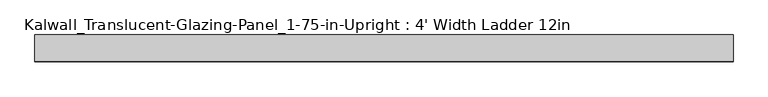
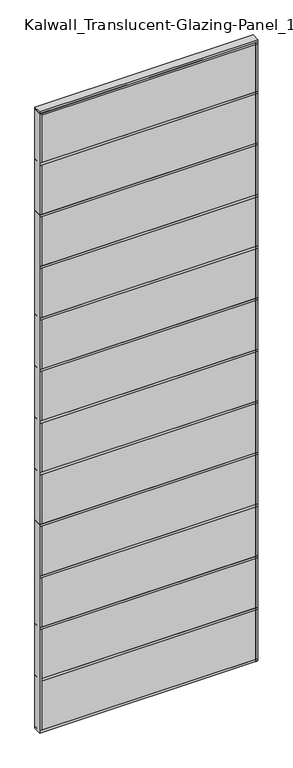
"""IFC4 building model written with IfcOpenShell, lengths in millimetres: plate geometry, Kalwall_Translucent-Glazing-Panel_1-75-in-Upright : 4' Width Ladder 12in."""

from ifc_helpers import new_model, si_unit, frame, origin, origin_with_axes, place, context, project, spatial, polyline, outline, extrude, source, transform, mapped, element, save


def kalwall_translucent_glazing_panel_1_75_in_upright_4_width_8c3a7aff(model_context):
    return source(origin(), model_context, "Body", "SweptSolid", [
        extrude(outline(polyline([(609.6, 22.225), (609.6, -22.225), (-609.6, -22.225), (-609.6, 22.225), (609.6, 22.225)])), origin_with_axes(), (0.0, 0.0, 1.0), 3659.9213441),
        extrude(outline(polyline([(609.6, 23.01875), (609.6, -23.01875), (-609.6, -23.01875), (-609.6, 23.01875), (609.6, 23.01875)])), frame((0.0, 0.0, 3657.6), z_axis=(0.0, 0.0, 1.0), x_axis=(1.0, 0.0, 0.0)), (0.0, 0.0, 1.0), 12.7),
        extrude(outline(polyline([(609.6, 23.01875), (609.6, -23.01875), (-609.6, -23.01875), (-609.6, 23.01875), (609.6, 23.01875)])), frame((0.0, 0.0, 3352.8), z_axis=(0.0, 0.0, 1.0), x_axis=(1.0, 0.0, 0.0)), (0.0, 0.0, 1.0), 12.7),
        extrude(outline(polyline([(609.6, 23.01875), (609.6, -23.01875), (-609.6, -23.01875), (-609.6, 23.01875), (609.6, 23.01875)])), frame((0.0, 0.0, 3048.0), z_axis=(0.0, 0.0, 1.0), x_axis=(1.0, 0.0, 0.0)), (0.0, 0.0, 1.0), 12.7),
        extrude(outline(polyline([(609.6, 23.01875), (609.6, -23.01875), (-609.6, -23.01875), (-609.6, 23.01875), (609.6, 23.01875)])), frame((0.0, 0.0, 2743.2), z_axis=(0.0, 0.0, 1.0), x_axis=(1.0, 0.0, 0.0)), (0.0, 0.0, 1.0), 12.7),
        extrude(outline(polyline([(609.6, 23.01875), (609.6, -23.01875), (-609.6, -23.01875), (-609.6, 23.01875), (609.6, 23.01875)])), frame((0.0, 0.0, 2438.4), z_axis=(0.0, 0.0, 1.0), x_axis=(1.0, 0.0, 0.0)), (0.0, 0.0, 1.0), 12.7),
        extrude(outline(polyline([(609.6, 23.01875), (609.6, -23.01875), (-609.6, -23.01875), (-609.6, 23.01875), (609.6, 23.01875)])), frame((0.0, 0.0, 2133.6), z_axis=(0.0, 0.0, 1.0), x_axis=(1.0, 0.0, 0.0)), (0.0, 0.0, 1.0), 12.7),
        extrude(outline(polyline([(609.6, 23.01875), (609.6, -23.01875), (-609.6, -23.01875), (-609.6, 23.01875), (609.6, 23.01875)])), frame((0.0, 0.0, 1828.8), z_axis=(0.0, 0.0, 1.0), x_axis=(1.0, 0.0, 0.0)), (0.0, 0.0, 1.0), 12.7),
        extrude(outline(polyline([(609.6, 23.01875), (609.6, -23.01875), (-609.6, -23.01875), (-609.6, 23.01875), (609.6, 23.01875)])), frame((0.0, 0.0, 1524.0), z_axis=(0.0, 0.0, 1.0), x_axis=(1.0, 0.0, 0.0)), (0.0, 0.0, 1.0), 12.7),
        extrude(outline(polyline([(609.6, 23.01875), (609.6, -23.01875), (-609.6, -23.01875), (-609.6, 23.01875), (609.6, 23.01875)])), frame((0.0, 0.0, 1219.2), z_axis=(0.0, 0.0, 1.0), x_axis=(1.0, 0.0, 0.0)), (0.0, 0.0, 1.0), 12.7),
        extrude(outline(polyline([(609.6, 23.01875), (609.6, -23.01875), (-609.6, -23.01875), (-609.6, 23.01875), (609.6, 23.01875)])), frame((0.0, 0.0, 914.4), z_axis=(0.0, 0.0, 1.0), x_axis=(1.0, 0.0, 0.0)), (0.0, 0.0, 1.0), 12.7),
        extrude(outline(polyline([(609.6, 23.01875), (609.6, -23.01875), (-609.6, -23.01875), (-609.6, 23.01875), (609.6, 23.01875)])), frame((0.0, 0.0, 609.6), z_axis=(0.0, 0.0, 1.0), x_axis=(1.0, 0.0, 0.0)), (0.0, 0.0, 1.0), 12.7),
        extrude(outline(polyline([(609.6, 23.01875), (609.6, -23.01875), (-609.6, -23.01875), (-609.6, 23.01875), (609.6, 23.01875)])), origin_with_axes(), (0.0, 0.0, 1.0), 12.7),
        extrude(outline(polyline([(-596.9, 23.01875), (-596.9, -23.01875), (-609.6, -23.01875), (-609.6, 23.01875), (-596.9, 23.01875)])), origin_with_axes(), (0.0, 0.0, 1.0), 3659.9213441),
        extrude(outline(polyline([(609.6, 23.01875), (609.6, -23.01875), (-609.6, -23.01875), (-609.6, 23.01875), (609.6, 23.01875)])), frame((0.0, 0.0, 3647.2213441), z_axis=(0.0, 0.0, 1.0), x_axis=(1.0, 0.0, 0.0)), (0.0, 0.0, 1.0), 12.7),
        extrude(outline(polyline([(609.6, 23.01875), (609.6, -23.01875), (-609.6, -23.01875), (-609.6, 23.01875), (609.6, 23.01875)])), frame((0.0, 0.0, 304.8), z_axis=(0.0, 0.0, 1.0), x_axis=(1.0, 0.0, 0.0)), (0.0, 0.0, 1.0), 12.7),
        extrude(outline(polyline([(609.6, 23.01875), (609.6, -23.01875), (-609.6, -23.01875), (-609.6, 23.01875), (609.6, 23.01875)])), origin_with_axes(), (0.0, 0.0, 1.0), 12.7),
        extrude(outline(polyline([(609.6, 23.01875), (609.6, -23.01875), (596.9, -23.01875), (596.9, 23.01875), (609.6, 23.01875)])), origin_with_axes(), (0.0, 0.0, 1.0), 3659.9213441),
    ])


if __name__ == "__main__":
    model = new_model("IFC4")
    model_context = context("Model", 3, world=origin())
    ifc_project = project(units=[si_unit("LENGTHUNIT", "METRE", prefix="MILLI")], contexts=[model_context])
    site = spatial("IfcSite", under=ifc_project)
    building = spatial("IfcBuilding", under=site)
    placement = place(None, origin())
    kalwall_translucent_glazing_panel_1_75_in_upright_4_width_shape = kalwall_translucent_glazing_panel_1_75_in_upright_4_width_8c3a7aff(model_context)
    element("IfcPlate", 1, ObjectType="Kalwall_Translucent-Glazing-Panel_1-75-in-Upright : 4' Width Ladder 12in", at=placement, inside=building, context=model_context, shape_type="MappedRepresentation", body=[
        mapped(kalwall_translucent_glazing_panel_1_75_in_upright_4_width_shape, transform((0.0, 0.0, 0.0), x_axis=(1.0, 0.0, 0.0), y_axis=(0.0, 1.0, 0.0), z_axis=(0.0, 0.0, 1.0))),
    ])
    save(model, "model.ifc")
